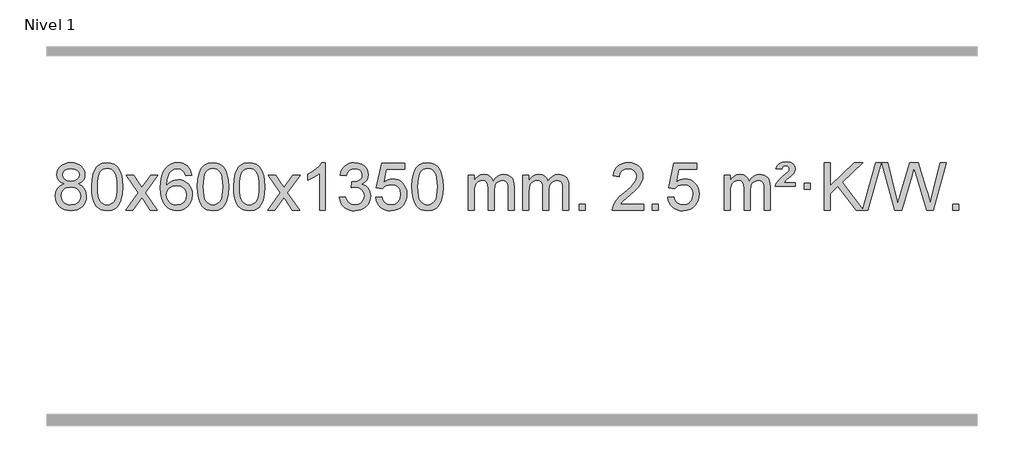
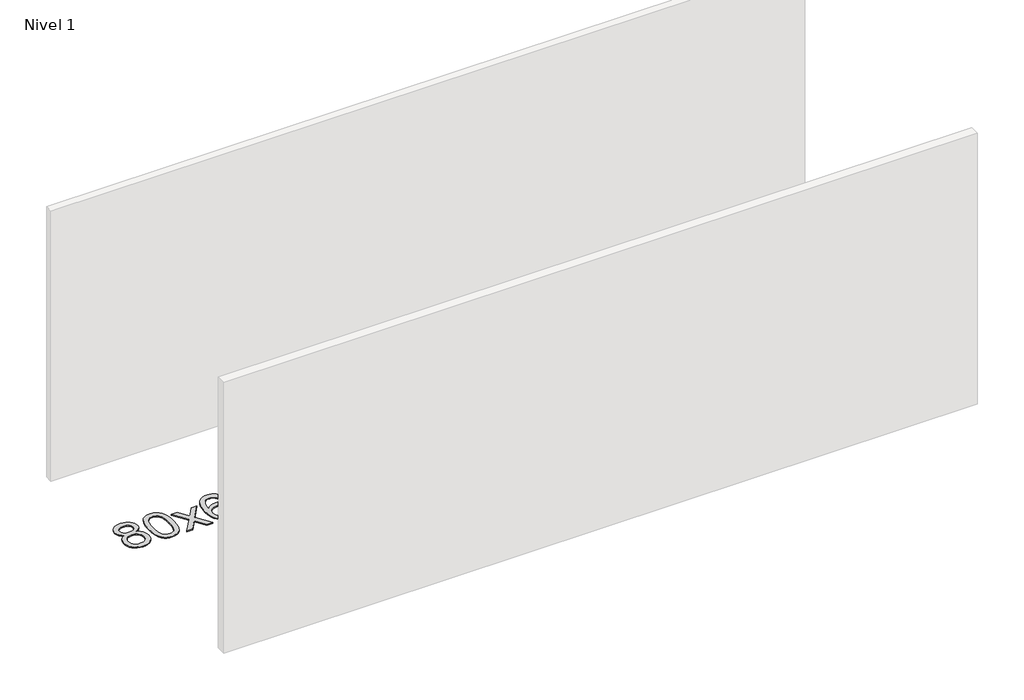
# One storey, part 5 of 9: 1 proxy.
"""IFC4 building model written with IfcOpenShell, lengths in millimetres."""

from ifc_helpers import new_model, si_unit, origin, origin_with_axes, place, context, project, spatial, polyline, outline, extrude, element, save

model = new_model("IFC4")

# Units and contexts
model_context = context("Model", 3, world=origin())
ifc_project = project(units=[si_unit("LENGTHUNIT", "METRE", prefix="MILLI")], contexts=[model_context])

# Site, building, storey
site = spatial("IfcSite", under=ifc_project)
building = spatial("IfcBuilding", under=site)
storey = spatial("IfcBuildingStorey", under=building, Name="Nivel 1", Elevation=0.0)

# Proxy
placement = place(None, origin())
element("IfcBuildingElementProxy", 1, Name="Texto de modelo 1", ObjectType="Texto de modelo 1", at=placement, inside=storey, context=model_context, shape_type="SweptSolid", body=[
    extrude(outline(polyline([(-12882.9857189, -3195.2616447), (-12909.8778927, -3182.0178929), (-12928.7502391, -3164.0652515), (-12939.8970635, -3141.7716026), (-12943.6126717, -3115.5048281), (-12941.5893207, -3095.0199324), (-12935.5192678, -3076.2395565), (-12925.4025129, -3059.1637006), (-12911.2390561, -3043.7923645), (-12893.709479, -3031.088173), (-12873.4943634, -3022.0137504), (-12850.5937092, -3016.5690969), (-12825.0075164, -3014.7542124), (-12799.2986964, -3016.6120165), (-12776.2263639, -3022.1854287), (-12755.7905191, -3031.4744491), (-12737.9911619, -3044.4790776), (-12723.5701876, -3060.1508506), (-12713.2694918, -3077.4413044), (-12707.0890743, -3096.3504389), (-12705.0289351, -3116.8782543), (-12708.6954923, -3142.2989001), (-12719.695164, -3164.2124043), (-12738.1505774, -3182.0546811), (-12764.1843599, -3195.2616447), (-12733.2700096, -3211.1909351), (-12710.7678942, -3234.6495436), (-12697.0458958, -3264.5092989), (-12692.4718963, -3299.6420295), (-12694.740502, -3324.6947933), (-12701.5463189, -3347.6628926), (-12712.8893471, -3368.5463272), (-12728.7695865, -3387.3450971), (-12748.3531714, -3402.88198), (-12770.8062358, -3413.9797536), (-12796.1287798, -3420.6384177), (-12824.3208034, -3422.8579724), (-12852.512827, -3420.6292206), (-12877.835371, -3413.9429654), (-12900.2884354, -3402.7992066), (-12919.8720203, -3387.1979443), (-12935.7522597, -3368.26735), (-12947.0952879, -3347.135595), (-12953.9011048, -3323.8026795), (-12956.1697105, -3298.2686033), (-12951.41177, -3261.7747094), (-12937.1379486, -3231.7555386), (-12914.0840102, -3209.2411605), (-12882.9857189, -3195.2616447)]), holes=[polyline([(-12893.3845166, -3116.9763561), (-12888.9331445, -3138.902123), (-12875.5790281, -3156.413306), (-12853.7145748, -3167.8912243), (-12823.7321922, -3171.717197), (-12794.4487854, -3167.9157497), (-12772.9154259, -3156.5114079), (-12759.6716741, -3139.5888361), (-12755.2570902, -3119.232699), (-12759.8188269, -3098.1040098), (-12773.5040371, -3080.629615), (-12795.3317022, -3068.8941794), (-12824.3208034, -3064.9823675), (-12853.4938456, -3068.8083402), (-12875.2847225, -3080.2862585), (-12888.8595681, -3097.1107284), (-12893.3845166, -3116.9763561)]), polyline([(-12905.9415554, -3296.5027698), (-12903.844628, -3315.7184726), (-12897.5538459, -3334.3210389), (-12885.9410376, -3350.5446349), (-12867.8780316, -3362.623427), (-12846.2465703, -3370.1282197), (-12823.9283959, -3372.6298173), (-12789.7398958, -3367.3691048), (-12775.8462192, -3360.7932141), (-12764.086258, -3351.5869672), (-12748.0466031, -3327.6869002), (-12742.7000514, -3298.0723996), (-12748.2182813, -3267.9551269), (-12764.7729711, -3243.5277625), (-12776.8517633, -3234.0854579), (-12791.0152201, -3227.3409547), (-12825.5961276, -3221.9453521), (-12859.3063811, -3227.2673783), (-12873.043708, -3233.919911), (-12884.7025015, -3243.2334569), (-12900.6317919, -3267.1948375), (-12905.9415554, -3296.5027698)])]), origin_with_axes(), (0.0, 0.0, 1.0), 10.0),
    extrude(outline(polyline([(-12648.5222606, -3218.9041943), (-12644.8311779, -3154.5861588), (-12633.7579299, -3103.2911459), (-12615.4128811, -3064.2343407), (-12603.5548181, -3049.0009605), (-12589.9063961, -3036.6309284), (-12574.4216298, -3027.0598651), (-12557.0545339, -3020.2233914), (-12516.6733536, -3014.7542124), (-12485.722215, -3017.991574), (-12458.0084381, -3027.7036586), (-12434.8318724, -3043.5103217), (-12417.4923677, -3065.0314184), (-12404.3957686, -3092.0830078), (-12393.94792, -3124.4811488), (-12387.1053149, -3165.6226186), (-12384.8244465, -3218.9041943), (-12388.478741, -3282.8543477), (-12399.4416244, -3334.0267333), (-12417.6763087, -3373.1203266), (-12429.5067805, -3388.3996922), (-12443.1460055, -3400.8341036), (-12458.6491659, -3410.4695462), (-12476.071444, -3417.3520052), (-12516.6733536, -3422.8579724), (-12544.3380796, -3420.4667394), (-12568.8635459, -3413.2930405), (-12590.2497526, -3401.3368757), (-12608.4966996, -3384.5982449), (-12626.0078825, -3354.3399508), (-12638.5158704, -3316.6381776), (-12646.0206631, -3271.4929255), (-12648.5222606, -3218.9041943)]), holes=[polyline([(-12598.2941056, -3218.8060924), (-12596.8225776, -3262.4706195), (-12592.4079936, -3297.8148822), (-12585.0503537, -3324.8388804), (-12574.7496579, -3343.5426142), (-12562.290721, -3356.2682656), (-12548.4583579, -3365.3580165), (-12533.2525688, -3370.8118671), (-12516.6733536, -3372.6298173), (-12500.0941383, -3370.8057357), (-12484.8883492, -3365.3334911), (-12471.0559862, -3356.2130833), (-12458.5970493, -3343.4445124), (-12448.2963534, -3324.7101217), (-12440.9387135, -3297.6922549), (-12436.5241295, -3262.3909118), (-12435.0526016, -3218.8060924), (-12436.4750786, -3176.2973278), (-12440.7425098, -3141.5753989), (-12447.854895, -3114.6403055), (-12457.8122343, -3095.4920476), (-12470.0627048, -3082.1440625), (-12484.0544833, -3072.6097875), (-12499.78757, -3066.8892225), (-12517.2619648, -3064.9823675), (-12533.7553409, -3066.6623619), (-12548.7036126, -3071.7023452), (-12562.10678, -3080.1023175), (-12573.9648429, -3091.8622786), (-12584.6088953, -3112.708925), (-12592.2117899, -3140.8151094), (-12596.7735266, -3176.1808319), (-12598.2941056, -3218.8060924)])]), origin_with_axes(), (0.0, 0.0, 1.0), 10.0),
    extrude(outline(polyline([(-12359.7103689, -3416.579453), (-12252.3869282, -3268.2494325), (-12353.4318496, -3121.4890419), (-12293.0011005, -3121.4890419), (-12244.2444734, -3192.122385), (-12221.4848406, -3225.4770192), (-12201.7663657, -3198.2047007), (-12146.2407099, -3121.4890419), (-12085.8099608, -3121.4890419), (-12191.9561791, -3268.2494325), (-12089.7340354, -3416.579453), (-12150.1647845, -3416.579453), (-12211.6746541, -3327.4048574), (-12222.9563686, -3311.1199477), (-12299.2796199, -3416.579453), (-12359.7103689, -3416.579453)])), origin_with_axes(), (0.0, 0.0, 1.0), 10.0),
    extrude(outline(polyline([(-11800.9221437, -3121.4890419), (-11851.1502988, -3127.7675613), (-11859.2437027, -3102.874213), (-11870.1820607, -3085.8780648), (-11892.9662189, -3070.2062918), (-11920.5083176, -3064.9823675), (-11943.8565616, -3068.0235253), (-11965.8313794, -3077.1469988), (-11984.7037258, -3096.3627017), (-12000.1179814, -3122.8134171), (-12010.5290419, -3160.227016), (-12014.3918028, -3212.3313693), (-11994.2441322, -3188.8237098), (-11970.0988106, -3172.2567573), (-11943.3047386, -3162.434308), (-11915.2108169, -3159.1601582), (-11891.077758, -3161.398107), (-11868.8086346, -3168.1119534), (-11848.4034466, -3179.3016975), (-11829.862194, -3194.9673391), (-11814.4540698, -3214.1769106), (-11803.4482668, -3235.9984443), (-11796.844785, -3260.4319401), (-11794.6436244, -3287.4773982), (-11798.7884282, -3323.4439945), (-11811.2228396, -3356.786366), (-11830.9167891, -3385.0642287), (-11856.840207, -3405.8372987), (-11887.815871, -3418.602804), (-11922.6665587, -3422.8579724), (-11952.6090874, -3420.0375437), (-11979.6514797, -3411.5762579), (-12003.7937357, -3397.4741147), (-12025.0358552, -3377.7311143), (-12042.3539001, -3351.5133908), (-12054.7239322, -3317.9870783), (-12062.1459515, -3277.1521768), (-12064.6199579, -3229.0086864), (-12061.8731057, -3175.0342663), (-12053.632549, -3128.9693092), (-12039.8982878, -3090.8138149), (-12020.6703222, -3060.5677835), (-11999.8298072, -3040.5243462), (-11975.6660915, -3026.2076052), (-11948.179175, -3017.6175606), (-11917.3690579, -3014.7542124), (-11894.2354118, -3016.5261773), (-11873.2967949, -3021.8420722), (-11854.5532073, -3030.7018969), (-11838.0046489, -3043.1056515), (-11824.0987094, -3058.6364031), (-11813.2829788, -3076.8772186), (-11805.5574569, -3097.8280983), (-11800.9221437, -3121.4890419)]), holes=[polyline([(-12014.3918028, -3286.6925832), (-12011.485535, -3308.9494439), (-12002.7667318, -3330.2007605), (-11989.2286743, -3348.472233), (-11971.8646442, -3361.7895612), (-11950.9076332, -3369.9197533), (-11926.5906333, -3372.6298173), (-11893.4444655, -3367.0134855), (-11879.5293291, -3359.9930708), (-11867.3861575, -3350.1644901), (-11857.5361171, -3337.9262824), (-11850.500374, -3323.6769865), (-11844.8717794, -3289.1451299), (-11850.4267976, -3255.9989621), (-11857.3705702, -3242.3781312), (-11867.0918519, -3230.725469), (-11879.2718117, -3221.3904634), (-11893.5916183, -3214.7226022), (-11928.6507725, -3209.3883133), (-11961.7478893, -3214.7226022), (-11989.4248781, -3230.725469), (-12000.3479076, -3242.2248471), (-12008.1500716, -3255.3858254), (-12012.83137, -3270.2084042), (-12014.3918028, -3286.6925832)])]), origin_with_axes(), (0.0, 0.0, 1.0), 10.0),
    extrude(outline(polyline([(-11750.6939887, -3218.9041943), (-11747.002906, -3154.5861588), (-11735.9296579, -3103.2911459), (-11717.5846091, -3064.2343407), (-11705.7265461, -3049.0009605), (-11692.0781241, -3036.6309284), (-11676.5933578, -3027.0598651), (-11659.2262619, -3020.2233914), (-11618.8450816, -3014.7542124), (-11587.8939431, -3017.991574), (-11560.1801661, -3027.7036586), (-11537.0036004, -3043.5103217), (-11519.6640957, -3065.0314184), (-11506.5674967, -3092.0830078), (-11496.119648, -3124.4811488), (-11489.2770429, -3165.6226186), (-11486.9961745, -3218.9041943), (-11490.650469, -3282.8543477), (-11501.6133525, -3334.0267333), (-11519.8480367, -3373.1203266), (-11531.6785085, -3388.3996922), (-11545.3177335, -3400.8341036), (-11560.8208939, -3410.4695462), (-11578.2431721, -3417.3520052), (-11618.8450816, -3422.8579724), (-11646.5098076, -3420.4667394), (-11671.035274, -3413.2930405), (-11692.4214806, -3401.3368757), (-11710.6684276, -3384.5982449), (-11728.1796106, -3354.3399508), (-11740.6875984, -3316.6381776), (-11748.1923911, -3271.4929255), (-11750.6939887, -3218.9041943)]), holes=[polyline([(-11700.4658336, -3218.8060924), (-11698.9943056, -3262.4706195), (-11694.5797217, -3297.8148822), (-11687.2220818, -3324.8388804), (-11676.9213859, -3343.5426142), (-11664.462449, -3356.2682656), (-11650.630086, -3365.3580165), (-11635.4242968, -3370.8118671), (-11618.8450816, -3372.6298173), (-11602.2658663, -3370.8057357), (-11587.0600772, -3365.3334911), (-11573.2277142, -3356.2130833), (-11560.7687773, -3343.4445124), (-11550.4680814, -3324.7101217), (-11543.1104415, -3297.6922549), (-11538.6958576, -3262.3909118), (-11537.2243296, -3218.8060924), (-11538.6468066, -3176.2973278), (-11542.9142378, -3141.5753989), (-11550.026623, -3114.6403055), (-11559.9839624, -3095.4920476), (-11572.2344328, -3082.1440625), (-11586.2262114, -3072.6097875), (-11601.959298, -3066.8892225), (-11619.4336928, -3064.9823675), (-11635.9270689, -3066.6623619), (-11650.8753406, -3071.7023452), (-11664.278508, -3080.1023175), (-11676.136571, -3091.8622786), (-11686.7806234, -3112.708925), (-11694.3835179, -3140.8151094), (-11698.9452547, -3176.1808319), (-11700.4658336, -3218.8060924)])]), origin_with_axes(), (0.0, 0.0, 1.0), 10.0),
    extrude(outline(polyline([(-11443.0465388, -3218.9041943), (-11439.3554561, -3154.5861588), (-11428.2822081, -3103.2911459), (-11409.9371593, -3064.2343407), (-11398.0790963, -3049.0009605), (-11384.4306743, -3036.6309284), (-11368.945908, -3027.0598651), (-11351.5788121, -3020.2233914), (-11311.1976318, -3014.7542124), (-11280.2464932, -3017.991574), (-11252.5327163, -3027.7036586), (-11229.3561506, -3043.5103217), (-11212.0166459, -3065.0314184), (-11198.9200468, -3092.0830078), (-11188.4721982, -3124.4811488), (-11181.6295931, -3165.6226186), (-11179.3487247, -3218.9041943), (-11183.0030192, -3282.8543477), (-11193.9659026, -3334.0267333), (-11212.2005869, -3373.1203266), (-11224.0310587, -3388.3996922), (-11237.6702837, -3400.8341036), (-11253.1734441, -3410.4695462), (-11270.5957222, -3417.3520052), (-11311.1976318, -3422.8579724), (-11338.8623578, -3420.4667394), (-11363.3878241, -3413.2930405), (-11384.7740308, -3401.3368757), (-11403.0209778, -3384.5982449), (-11420.5321607, -3354.3399508), (-11433.0401486, -3316.6381776), (-11440.5449413, -3271.4929255), (-11443.0465388, -3218.9041943)]), holes=[polyline([(-11392.8183838, -3218.8060924), (-11391.3468558, -3262.4706195), (-11386.9322718, -3297.8148822), (-11379.5746319, -3324.8388804), (-11369.2739361, -3343.5426142), (-11356.8149992, -3356.2682656), (-11342.9826361, -3365.3580165), (-11327.776847, -3370.8118671), (-11311.1976318, -3372.6298173), (-11294.6184165, -3370.8057357), (-11279.4126274, -3365.3334911), (-11265.5802644, -3356.2130833), (-11253.1213275, -3343.4445124), (-11242.8206316, -3324.7101217), (-11235.4629917, -3297.6922549), (-11231.0484077, -3262.3909118), (-11229.5768798, -3218.8060924), (-11230.9993568, -3176.2973278), (-11235.266788, -3141.5753989), (-11242.3791732, -3114.6403055), (-11252.3365125, -3095.4920476), (-11264.586983, -3082.1440625), (-11278.5787615, -3072.6097875), (-11294.3118482, -3066.8892225), (-11311.786243, -3064.9823675), (-11328.2796191, -3066.6623619), (-11343.2278908, -3071.7023452), (-11356.6310582, -3080.1023175), (-11368.4891211, -3091.8622786), (-11379.1331735, -3112.708925), (-11386.7360681, -3140.8151094), (-11391.2978048, -3176.1808319), (-11392.8183838, -3218.8060924)])]), origin_with_axes(), (0.0, 0.0, 1.0), 10.0),
    extrude(outline(polyline([(-11154.2346472, -3416.579453), (-11046.9112064, -3268.2494325), (-11147.9561278, -3121.4890419), (-11087.5253787, -3121.4890419), (-11038.7687516, -3192.122385), (-11016.0091188, -3225.4770192), (-10996.2906439, -3198.2047007), (-10940.7649881, -3121.4890419), (-10880.334239, -3121.4890419), (-10986.4804574, -3268.2494325), (-10884.2583136, -3416.579453), (-10944.6890627, -3416.579453), (-11006.1989323, -3327.4048574), (-11017.4806468, -3311.1199477), (-11093.8038981, -3416.579453), (-11154.2346472, -3416.579453)])), origin_with_axes(), (0.0, 0.0, 1.0), 10.0),
    extrude(outline(polyline([(-10664.5101352, -3416.579453), (-10714.7382902, -3416.579453), (-10714.7382902, -3103.4382987), (-10735.707564, -3120.3976587), (-10762.317695, -3137.3324932), (-10815.1946004, -3162.6918254), (-10815.1946004, -3115.2105225), (-10775.7453878, -3093.7507395), (-10741.5691504, -3068.219729), (-10714.6279257, -3041.0700378), (-10696.8837508, -3014.7542124), (-10664.5101352, -3014.7542124), (-10664.5101352, -3416.579453)])), origin_with_axes(), (0.0, 0.0, 1.0), 10.0),
    extrude(outline(polyline([(-10545.2182669, -3309.8446235), (-10494.9901118, -3303.5661041), (-10483.7451855, -3335.1303793), (-10467.2763348, -3356.4430095), (-10444.7742195, -3368.5831154), (-10415.429499, -3372.6298173), (-10380.9957442, -3367.0625364), (-10366.7219228, -3360.1034354), (-10354.4101387, -3350.3606939), (-10337.4139905, -3325.4428201), (-10331.7486078, -3295.2274455), (-10337.3649396, -3266.5449126), (-10354.213935, -3243.2825078), (-10379.72042, -3227.8682522), (-10411.3092206, -3222.730167), (-10446.5277903, -3228.2238715), (-10440.935984, -3177.9957164), (-10432.891631, -3178.5843276), (-10402.7988838, -3174.979084), (-10375.8944472, -3164.1633534), (-10364.8211992, -3155.9841103), (-10356.9117363, -3145.8673555), (-10352.1660585, -3133.8130888), (-10350.584166, -3119.8213102), (-10355.1704282, -3098.1285352), (-10368.9292148, -3080.5315131), (-10389.923014, -3068.8696539), (-10416.2143139, -3064.9823675), (-10442.5546648, -3068.9064421), (-10464.0880242, -3080.6786659), (-10479.8088481, -3100.299039), (-10488.7115924, -3127.7675613), (-10538.9397475, -3121.4890419), (-10532.9861905, -3097.5092672), (-10524.1508913, -3076.3867093), (-10512.4338497, -3058.1213683), (-10497.8350659, -3042.713244), (-10480.8143922, -3030.4811677), (-10461.8316813, -3021.7439703), (-10440.886933, -3016.5016519), (-10417.9801475, -3014.7542124), (-10386.4036096, -3018.2000404), (-10357.4022456, -3028.5375245), (-10332.9503557, -3044.8469596), (-10315.0222398, -3066.2086408), (-10304.0225681, -3090.8199463), (-10300.3560109, -3116.8782543), (-10303.8386271, -3141.1584659), (-10314.2864758, -3163.1823347), (-10331.5524041, -3181.9443165), (-10355.4892592, -3196.4388671), (-10324.0476114, -3209.1430586), (-10300.7484183, -3230.77452), (-10286.3274441, -3260.1560286), (-10281.5204527, -3296.1103623), (-10283.9239484, -3321.5923218), (-10291.1344355, -3345.0631931), (-10303.151914, -3366.5229762), (-10319.976384, -3385.971671), (-10340.4735425, -3402.1094278), (-10363.5090867, -3413.636397), (-10389.0830168, -3420.5525785), (-10417.1953326, -3422.8579724), (-10442.6037157, -3420.8898037), (-10465.7557559, -3414.9852977), (-10486.6514532, -3405.1444543), (-10505.2908077, -3391.3672736), (-10520.9196611, -3374.4630959), (-10532.7838554, -3355.2412617), (-10540.8833907, -3333.7017708), (-10545.2182669, -3309.8446235)])), origin_with_axes(), (0.0, 0.0, 1.0), 10.0),
    extrude(outline(polyline([(-10237.570817, -3309.8446235), (-10187.342662, -3303.5661041), (-10178.1210866, -3333.7201649), (-10162.0323807, -3355.3148381), (-10139.1501206, -3368.3010725), (-10109.5478827, -3372.6298173), (-10090.418019, -3371.1245668), (-10073.5444981, -3366.6088153), (-10058.9273202, -3359.0825628), (-10046.5664851, -3348.5458094), (-10036.7379045, -3335.519721), (-10029.7174898, -3320.5254641), (-10024.101158, -3284.6324441), (-10029.3618705, -3250.8363514), (-10035.9377612, -3236.9181493), (-10045.1440081, -3224.9865099), (-10057.0112681, -3215.4154467), (-10071.5701981, -3208.5789729), (-10108.7630678, -3203.1097939), (-10133.1291186, -3205.2925604), (-10152.8598563, -3211.8408599), (-10168.6174684, -3221.8717757), (-10181.0641426, -3234.5023908), (-10231.2922977, -3228.2238715), (-10187.342662, -3021.0327318), (-9992.708561, -3021.0327318), (-9992.708561, -3071.2608869), (-10146.7284897, -3071.2608869), (-10168.2127982, -3181.919791), (-10150.4870174, -3169.2155994), (-10132.332041, -3160.1411769), (-10113.7478688, -3154.6965234), (-10094.734501, -3152.8816388), (-10070.273414, -3155.1318504), (-10047.8050212, -3161.882485), (-10027.3293225, -3173.1335427), (-10008.8463179, -3188.8850234), (-9993.5454926, -3208.1743027), (-9982.6163316, -3230.038756), (-9976.0588351, -3254.4783832), (-9973.8730029, -3281.4931844), (-9975.8411716, -3307.5147042), (-9981.7456776, -3331.7213394), (-9991.586521, -3354.1130902), (-10005.3637017, -3374.6899565), (-10026.2348735, -3395.7634634), (-10050.5886616, -3410.8159684), (-10078.4250659, -3419.8474714), (-10109.7440864, -3422.8579724), (-10135.6644387, -3420.9235262), (-10159.077062, -3415.1201877), (-10179.9819564, -3405.447957), (-10198.3791218, -3391.9068338), (-10213.6860785, -3375.1712688), (-10225.3203466, -3355.915712), (-10233.2819261, -3334.1401636), (-10237.570817, -3309.8446235)])), origin_with_axes(), (0.0, 0.0, 1.0), 10.0),
    extrude(outline(polyline([(-9929.9233672, -3218.9041943), (-9926.2322845, -3154.5861588), (-9915.1590365, -3103.2911459), (-9896.8139876, -3064.2343407), (-9884.9559247, -3049.0009605), (-9871.3075026, -3036.6309284), (-9855.8227363, -3027.0598651), (-9838.4556405, -3020.2233914), (-9798.0744601, -3014.7542124), (-9767.1233216, -3017.991574), (-9739.4095446, -3027.7036586), (-9716.2329789, -3043.5103217), (-9698.8934742, -3065.0314184), (-9685.7968752, -3092.0830078), (-9675.3490265, -3124.4811488), (-9668.5064214, -3165.6226186), (-9666.2255531, -3218.9041943), (-9669.8798475, -3282.8543477), (-9680.842731, -3334.0267333), (-9699.0774152, -3373.1203266), (-9710.9078871, -3388.3996922), (-9724.547112, -3400.8341036), (-9740.0502724, -3410.4695462), (-9757.4725506, -3417.3520052), (-9798.0744601, -3422.8579724), (-9825.7391862, -3420.4667394), (-9850.2646525, -3413.2930405), (-9871.6508592, -3401.3368757), (-9889.8978061, -3384.5982449), (-9907.4089891, -3354.3399508), (-9919.9169769, -3316.6381776), (-9927.4217696, -3271.4929255), (-9929.9233672, -3218.9041943)]), holes=[polyline([(-9879.6952121, -3218.8060924), (-9878.2236842, -3262.4706195), (-9873.8091002, -3297.8148822), (-9866.4514603, -3324.8388804), (-9856.1507644, -3343.5426142), (-9843.6918275, -3356.2682656), (-9829.8594645, -3365.3580165), (-9814.6536754, -3370.8118671), (-9798.0744601, -3372.6298173), (-9781.4952449, -3370.8057357), (-9766.2894558, -3365.3334911), (-9752.4570927, -3356.2130833), (-9739.9981558, -3343.4445124), (-9729.69746, -3324.7101217), (-9722.3398201, -3297.6922549), (-9717.9252361, -3262.3909118), (-9716.4537081, -3218.8060924), (-9717.8761852, -3176.2973278), (-9722.1436163, -3141.5753989), (-9729.2560016, -3114.6403055), (-9739.2133409, -3095.4920476), (-9751.4638113, -3082.1440625), (-9765.4555899, -3072.6097875), (-9781.1886766, -3066.8892225), (-9798.6630713, -3064.9823675), (-9815.1564474, -3066.6623619), (-9830.1047192, -3071.7023452), (-9843.5078865, -3080.1023175), (-9855.3659495, -3091.8622786), (-9866.0100019, -3112.708925), (-9873.6128965, -3140.8151094), (-9878.1746332, -3176.1808319), (-9879.6952121, -3218.8060924)])]), origin_with_axes(), (0.0, 0.0, 1.0), 10.0),
    extrude(outline(polyline([(-9452.755894, -3416.579453), (-9452.755894, -3121.4890419), (-9402.5277389, -3121.4890419), (-9402.5277389, -3170.0494653), (-9387.4200517, -3147.7435537), (-9367.9958823, -3130.2691589), (-9344.9174185, -3118.9751816), (-9318.8468478, -3115.2105225), (-9290.9123416, -3119.048758), (-9268.5205908, -3130.5634645), (-9251.7942228, -3148.9943524), (-9240.8558648, -3173.5811324), (-9222.5476041, -3148.0439906), (-9201.6641696, -3129.803175), (-9178.205561, -3118.8586857), (-9152.1717785, -3115.2105225), (-9132.0639617, -3116.7280358), (-9114.414823, -3121.2805755), (-9099.2243623, -3128.8681416), (-9086.4925796, -3139.4907342), (-9076.4279413, -3153.2709806), (-9069.238914, -3170.3315082), (-9064.9254976, -3190.6723168), (-9063.4876922, -3214.2934066), (-9063.4876922, -3416.579453), (-9113.7158472, -3416.579453), (-9113.7158472, -3235.875817), (-9114.8808069, -3210.8230531), (-9118.3756858, -3193.9372695), (-9124.9239854, -3182.3735121), (-9135.2492067, -3173.2868268), (-9148.5297467, -3167.4007149), (-9163.9440023, -3165.4386776), (-9191.1550072, -3170.4663982), (-9213.3382915, -3185.54956), (-9221.9436645, -3197.1194488), (-9228.0903595, -3211.7182326), (-9233.0077155, -3250.0024856), (-9233.0077155, -3416.579453), (-9283.2358706, -3416.579453), (-9283.2358706, -3230.2840106), (-9286.1421384, -3201.8835206), (-9294.8609417, -3181.6254854), (-9310.2016209, -3169.4853796), (-9332.9735164, -3165.4386776), (-9352.3241093, -3168.1364789), (-9370.1541233, -3176.2298828), (-9384.8694032, -3189.5226856), (-9394.8757934, -3207.8186835), (-9400.6147525, -3233.2025411), (-9402.5277389, -3267.7589232), (-9402.5277389, -3416.579453), (-9452.755894, -3416.579453)])), origin_with_axes(), (0.0, 0.0, 1.0), 10.0),
    extrude(outline(polyline([(-8988.1454596, -3416.579453), (-8988.1454596, -3121.4890419), (-8937.9173045, -3121.4890419), (-8937.9173045, -3170.0494653), (-8922.8096172, -3147.7435537), (-8903.3854479, -3130.2691589), (-8880.306984, -3118.9751816), (-8854.2364133, -3115.2105225), (-8826.3019071, -3119.048758), (-8803.9101564, -3130.5634645), (-8787.1837883, -3148.9943524), (-8776.2454303, -3173.5811324), (-8757.9371697, -3148.0439906), (-8737.0537351, -3129.803175), (-8713.5951266, -3118.8586857), (-8687.561344, -3115.2105225), (-8667.4535273, -3116.7280358), (-8649.8043886, -3121.2805755), (-8634.6139279, -3128.8681416), (-8621.8821452, -3139.4907342), (-8611.8175069, -3153.2709806), (-8604.6284796, -3170.3315082), (-8600.3150632, -3190.6723168), (-8598.8772577, -3214.2934066), (-8598.8772577, -3416.579453), (-8649.1054128, -3416.579453), (-8649.1054128, -3235.875817), (-8650.2703724, -3210.8230531), (-8653.7652514, -3193.9372695), (-8660.3135509, -3182.3735121), (-8670.6387722, -3173.2868268), (-8683.9193123, -3167.4007149), (-8699.3335679, -3165.4386776), (-8726.5445728, -3170.4663982), (-8748.7278571, -3185.54956), (-8757.3332301, -3197.1194488), (-8763.4799251, -3211.7182326), (-8768.3972811, -3250.0024856), (-8768.3972811, -3416.579453), (-8818.6254362, -3416.579453), (-8818.6254362, -3230.2840106), (-8821.5317039, -3201.8835206), (-8830.2505072, -3181.6254854), (-8845.5911864, -3169.4853796), (-8868.3630819, -3165.4386776), (-8887.7136749, -3168.1364789), (-8905.5436889, -3176.2298828), (-8920.2589687, -3189.5226856), (-8930.265359, -3207.8186835), (-8936.0043181, -3233.2025411), (-8937.9173045, -3267.7589232), (-8937.9173045, -3416.579453), (-8988.1454596, -3416.579453)])), origin_with_axes(), (0.0, 0.0, 1.0), 10.0),
    extrude(outline(polyline([(-8510.9779863, -3416.579453), (-8510.9779863, -3366.3512979), (-8460.7498313, -3366.3512979), (-8460.7498313, -3416.579453), (-8510.9779863, -3416.579453)])), origin_with_axes(), (0.0, 0.0, 1.0), 10.0),
    extrude(outline(polyline([(-7964.7467999, -3366.3512979), (-7964.7467999, -3416.579453), (-8228.444614, -3416.579453), (-8227.3409681, -3398.8965918), (-8223.0490115, -3381.9494945), (-8210.6636509, -3354.8856424), (-8192.5393313, -3328.6311307), (-8166.3216078, -3301.1503456), (-8129.6560356, -3270.4076736), (-8075.454755, -3222.2641831), (-8042.9339866, -3186.7267824), (-8026.6736024, -3157.884834), (-8021.2534744, -3129.8277005), (-8026.3670341, -3104.6768347), (-8041.7077133, -3083.7688747), (-8065.2889492, -3069.6789943), (-8095.124179, -3064.9823675), (-8126.4554623, -3069.5686297), (-8150.7969876, -3083.3274163), (-8166.5055488, -3105.1796068), (-8171.9379396, -3134.0460807), (-8222.1660947, -3127.7675613), (-8217.8465469, -3101.838012), (-8209.9892006, -3079.1826125), (-8198.5940558, -3059.8013627), (-8183.6611125, -3043.6942627), (-8165.5337272, -3031.0329907), (-8144.5552564, -3021.989225), (-8120.7257002, -3016.5629655), (-8094.0450585, -3014.7542124), (-8067.1252935, -3016.7653006), (-8043.1669785, -3022.7985654), (-8022.1701137, -3032.8540066), (-8004.1346989, -3046.9316242), (-7989.6493453, -3063.9890861), (-7979.3026642, -3082.9840598), (-7973.0946555, -3103.9165453), (-7971.0253193, -3126.7865427), (-7973.2571367, -3150.8092369), (-7979.952589, -3174.4149983), (-7991.8351775, -3198.4254299), (-8009.6284033, -3223.6621347), (-8037.9921051, -3253.7916701), (-8081.5861216, -3292.4805933), (-8139.3681203, -3340.795762), (-8162.0296512, -3366.3512979), (-7964.7467999, -3366.3512979)])), origin_with_axes(), (0.0, 0.0, 1.0), 10.0),
    extrude(outline(polyline([(-7889.4045673, -3416.579453), (-7889.4045673, -3366.3512979), (-7839.1764122, -3366.3512979), (-7839.1764122, -3416.579453), (-7889.4045673, -3416.579453)])), origin_with_axes(), (0.0, 0.0, 1.0), 10.0),
    extrude(outline(polyline([(-7757.5556602, -3309.8446235), (-7707.3275051, -3303.5661041), (-7698.1059298, -3333.7201649), (-7682.0172239, -3355.3148381), (-7659.1349638, -3368.3010725), (-7629.5327259, -3372.6298173), (-7610.4028621, -3371.1245668), (-7593.5293413, -3366.6088153), (-7578.9121634, -3359.0825628), (-7566.5513283, -3348.5458094), (-7556.7227477, -3335.519721), (-7549.7023329, -3320.5254641), (-7544.0860012, -3284.6324441), (-7549.3467137, -3250.8363514), (-7555.9226043, -3236.9181493), (-7565.1288513, -3224.9865099), (-7576.9961113, -3215.4154467), (-7591.5550413, -3208.5789729), (-7628.747911, -3203.1097939), (-7653.1139618, -3205.2925604), (-7672.8446995, -3211.8408599), (-7688.6023116, -3221.8717757), (-7701.0489858, -3234.5023908), (-7751.2771408, -3228.2238715), (-7707.3275051, -3021.0327318), (-7512.6934042, -3021.0327318), (-7512.6934042, -3071.2608869), (-7666.7133329, -3071.2608869), (-7688.1976414, -3181.919791), (-7670.4718606, -3169.2155994), (-7652.3168841, -3160.1411769), (-7633.732712, -3154.6965234), (-7614.7193442, -3152.8816388), (-7590.2582572, -3155.1318504), (-7567.7898644, -3161.882485), (-7547.3141657, -3173.1335427), (-7528.8311611, -3188.8850234), (-7513.5303358, -3208.1743027), (-7502.6011748, -3230.038756), (-7496.0436783, -3254.4783832), (-7493.8578461, -3281.4931844), (-7495.8260148, -3307.5147042), (-7501.7305208, -3331.7213394), (-7511.5713641, -3354.1130902), (-7525.3485449, -3374.6899565), (-7546.2197167, -3395.7634634), (-7570.5735048, -3410.8159684), (-7598.4099091, -3419.8474714), (-7629.7289296, -3422.8579724), (-7655.6492819, -3420.9235262), (-7679.0619052, -3415.1201877), (-7699.9667996, -3405.447957), (-7718.363965, -3391.9068338), (-7733.6709217, -3375.1712688), (-7745.3051898, -3355.915712), (-7753.2667693, -3334.1401636), (-7757.5556602, -3309.8446235)])), origin_with_axes(), (0.0, 0.0, 1.0), 10.0),
    extrude(outline(polyline([(-7280.388187, -3416.579453), (-7280.388187, -3121.4890419), (-7230.1600319, -3121.4890419), (-7230.1600319, -3170.0494653), (-7215.0523447, -3147.7435537), (-7195.6281753, -3130.2691589), (-7172.5497115, -3118.9751816), (-7146.4791408, -3115.2105225), (-7118.5446346, -3119.048758), (-7096.1528838, -3130.5634645), (-7079.4265158, -3148.9943524), (-7068.4881578, -3173.5811324), (-7050.1798972, -3148.0439906), (-7029.2964626, -3129.803175), (-7005.837854, -3118.8586857), (-6979.8040715, -3115.2105225), (-6959.6962548, -3116.7280358), (-6942.047116, -3121.2805755), (-6926.8566553, -3128.8681416), (-6914.1248726, -3139.4907342), (-6904.0602344, -3153.2709806), (-6896.871207, -3170.3315082), (-6892.5577906, -3190.6723168), (-6891.1199852, -3214.2934066), (-6891.1199852, -3416.579453), (-6941.3481403, -3416.579453), (-6941.3481403, -3235.875817), (-6942.5130999, -3210.8230531), (-6946.0079789, -3193.9372695), (-6952.5562784, -3182.3735121), (-6962.8814997, -3173.2868268), (-6976.1620397, -3167.4007149), (-6991.5762953, -3165.4386776), (-7018.7873002, -3170.4663982), (-7040.9705845, -3185.54956), (-7049.5759576, -3197.1194488), (-7055.7226526, -3211.7182326), (-7060.6400086, -3250.0024856), (-7060.6400086, -3416.579453), (-7110.8681636, -3416.579453), (-7110.8681636, -3230.2840106), (-7113.7744314, -3201.8835206), (-7122.4932347, -3181.6254854), (-7137.8339139, -3169.4853796), (-7160.6058094, -3165.4386776), (-7179.9564023, -3168.1364789), (-7197.7864164, -3176.2298828), (-7212.5016962, -3189.5226856), (-7222.5080864, -3207.8186835), (-7228.2470456, -3233.2025411), (-7230.1600319, -3267.7589232), (-7230.1600319, -3416.579453), (-7280.388187, -3416.579453)])), origin_with_axes(), (0.0, 0.0, 1.0), 10.0),
    extrude(outline(polyline([(-6847.1703495, -3215.6668327), (-6843.3443767, -3199.8479069), (-6835.0057182, -3183.9799302), (-6813.4968842, -3158.8413272), (-6781.5402016, -3131.1030247), (-6737.3943621, -3093.726214), (-6730.2574514, -3082.1992448), (-6727.8784812, -3070.3779701), (-6729.7669421, -3058.2869152), (-6735.4323248, -3048.5012541), (-6744.801053, -3042.026531), (-6757.7995501, -3039.8682899), (-6770.2339616, -3041.4869707), (-6779.0876549, -3046.343013), (-6785.5133271, -3055.8098431), (-6790.663675, -3071.2608869), (-6840.8918301, -3064.9823675), (-6830.051574, -3039.7701881), (-6813.4233078, -3022.2099542), (-6789.6581309, -3011.9092583), (-6757.4071427, -3008.475693), (-6721.6244873, -3012.6082341), (-6696.8782917, -3025.0058573), (-6682.4573175, -3043.3386434), (-6677.6503261, -3065.2766731), (-6681.746079, -3088.1834586), (-6694.0333376, -3109.8149199), (-6714.561153, -3129.6314968), (-6751.0305214, -3157.6886303), (-6776.6351083, -3184.2742358), (-6677.6503261, -3184.2742358), (-6677.6503261, -3215.6668327), (-6847.1703495, -3215.6668327)])), origin_with_axes(), (0.0, 0.0, 1.0), 10.0),
    extrude(outline(polyline([(-6602.3080935, -3240.7809102), (-6602.3080935, -3190.5527552), (-6552.0799384, -3190.5527552), (-6552.0799384, -3240.7809102), (-6602.3080935, -3240.7809102)])), origin_with_axes(), (0.0, 0.0, 1.0), 10.0),
    extrude(outline(polyline([(-6161.4383105, -3416.579453), (-6314.8696279, -3213.9009991), (-6382.559915, -3278.4520265), (-6382.559915, -3416.579453), (-6432.7880701, -3416.579453), (-6432.7880701, -3014.7542124), (-6382.559915, -3014.7542124), (-6382.559915, -3211.4484525), (-6176.5459977, -3014.7542124), (-6106.3050621, -3014.7542124), (-6279.2586508, -3179.9577537), (-6104.6050409, -3410.5349332), (-5993.2917132, -3014.7542124), (-5947.9686514, -3014.7542124), (-6060.9820003, -3416.579453), (-6100.0265428, -3416.579453), (-6106.3050621, -3416.579453), (-6161.4383105, -3416.579453)])), origin_with_axes(), (0.0, 0.0, 1.0), 10.0),
    extrude(outline(polyline([(-5833.4837745, -3416.579453), (-5943.0635581, -3014.7542124), (-5891.2657732, -3014.7542124), (-5827.6957645, -3278.844434), (-5808.0753914, -3360.3670841), (-5787.0815922, -3288.2622131), (-5707.4228775, -3014.7542124), (-5632.7673579, -3014.7542124), (-5574.8872574, -3213.0180823), (-5550.0920109, -3286.5944814), (-5531.8205385, -3360.3670841), (-5512.7887766, -3281.1988788), (-5448.6301566, -3014.7542124), (-5396.8323717, -3014.7542124), (-5506.5102572, -3416.579453), (-5560.1719776, -3416.579453), (-5656.5080094, -3106.5775584), (-5669.9479649, -3063.3146358), (-5685.0556522, -3115.4067263), (-5772.8568217, -3416.579453), (-5833.4837745, -3416.579453)])), origin_with_axes(), (0.0, 0.0, 1.0), 10.0),
    extrude(outline(polyline([(-5340.3256972, -3416.579453), (-5340.3256972, -3366.3512979), (-5290.0975422, -3366.3512979), (-5290.0975422, -3416.579453), (-5340.3256972, -3416.579453)])), origin_with_axes(), (0.0, 0.0, 1.0), 10.0),
])

save(model, "model.ifc")
